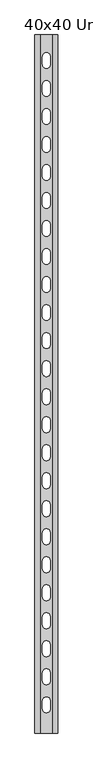
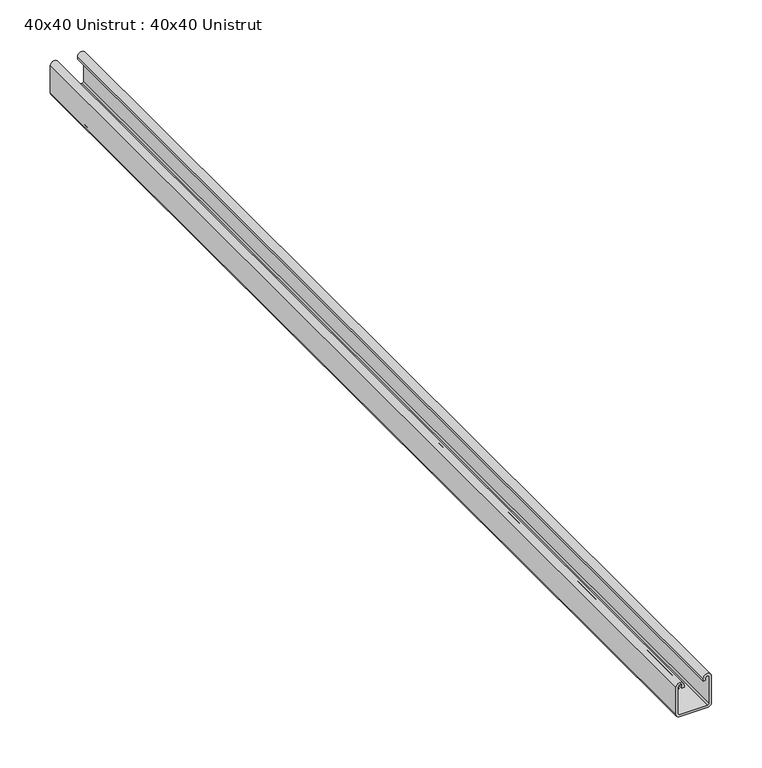
"""IFC4 building model written with IfcOpenShell, lengths in millimetres: proxy geometry, 40x40 Unistrut : 40x40 Unistrut."""

import ifcopenshell
import ifcopenshell.guid

model = None  # the IFC model being written
_history = None  # IfcOwnerHistory: only IFC2X3 demands one
_inside = {}  # id of a spatial element -> (the spatial element, [elements in it])
_under = {}  # id of a project, library or spatial element -> (it, [spatial elements below it])
_declared = {}  # id of a project -> (the project, [libraries it declares])
_typed = {}  # id of a type object -> (the type object, [elements of that type])
_made_of = {}  # id of a material, layer set ... -> (it, [elements and type objects made of it])


def new_model(schema):
    """Start an empty IFC model of exactly this schema.

    Asked for "IFC4X3", IfcOpenShell would pick the latest addendum, in which some entities
    have other attributes; the version numbers below select the first issue.
    IFC2X3 requires an IfcOwnerHistory on every rooted entity: one is made here for all.
    """
    global model, _history
    if schema == "IFC4X3":
        model = ifcopenshell.file(schema_version=(4, 3, 0, 0))
    else:
        model = ifcopenshell.file(schema=schema)
    _inside.clear()
    _under.clear()
    _declared.clear()
    _typed.clear()
    _made_of.clear()
    _history = None
    if model.schema == "IFC2X3":
        org = make("IfcOrganization", Name="unknown")
        user = make(
            "IfcPersonAndOrganization",
            ThePerson=make("IfcPerson", FamilyName="unknown"),
            TheOrganization=org,
        )
        app = make(
            "IfcApplication",
            ApplicationDeveloper=org,
            Version="unknown",
            ApplicationFullName="unknown",
            ApplicationIdentifier="unknown",
        )
        _history = make(
            "IfcOwnerHistory",
            OwningUser=user,
            OwningApplication=app,
            ChangeAction="ADDED",
            CreationDate=0,
        )
    return model


def make(cls, **values):
    """One entity of the class cls with the attributes given. An attribute that is None is left unset."""
    return model.create_entity(
        cls, **{name: value for name, value in values.items() if value is not None}
    )


def rooted(cls, **values):
    """An entity with a GlobalId (a new one), such as an element, a storey or a relation."""
    return make(cls, GlobalId=ifcopenshell.guid.new(), OwnerHistory=_history, **values)


def si_unit(unit_type, name, prefix=None):
    """IfcSIUnit, for example si_unit("LENGTHUNIT", "METRE", prefix="MILLI")."""
    return make("IfcSIUnit", UnitType=unit_type, Prefix=prefix, Name=name)


def assignment(units):
    """IfcUnitAssignment: the units of a project."""
    return None if units is None else make("IfcUnitAssignment", Units=units)


def point(xyz):
    """IfcCartesianPoint."""
    return None if xyz is None else make("IfcCartesianPoint", Coordinates=xyz)


def direction(xyz):
    """IfcDirection."""
    return None if xyz is None else make("IfcDirection", DirectionRatios=xyz)


def frame(location, z_axis=None, x_axis=None):
    """IfcAxis2Placement3D, a coordinate frame: its origin and axes. An axis left out is left unset."""
    return make(
        "IfcAxis2Placement3D",
        Location=point(location),
        Axis=direction(z_axis),
        RefDirection=direction(x_axis),
    )


def origin():
    """The frame at (0, 0, 0) with its axes left unset."""
    return frame((0.0, 0.0, 0.0))


def place(relative_to, where):
    """IfcLocalPlacement: puts the frame where relative to a parent placement (None: the world)."""
    return make(
        "IfcLocalPlacement", PlacementRelTo=relative_to, RelativePlacement=where
    )


def context(
    kind, dimensions, precision=None, world=None, true_north=None, identifier=None
):
    """IfcGeometricRepresentationContext, for example the 3D "Model" context."""
    return make(
        "IfcGeometricRepresentationContext",
        ContextIdentifier=identifier,
        ContextType=kind,
        CoordinateSpaceDimension=dimensions,
        Precision=precision,
        WorldCoordinateSystem=world,
        TrueNorth=true_north,
    )


def project(units=None, contexts=None):
    """IfcProject with its units and contexts."""
    return rooted(
        "IfcProject",
        Name="project",
        RepresentationContexts=contexts,
        UnitsInContext=assignment(units),
    )


def spatial(cls, under=None, at=None, **own):
    """A site, building, storey or space (cls), placed at a placement, below another one or the project."""
    s = rooted(cls, ObjectPlacement=at, **own)
    if under is not None:
        _under.setdefault(under.id(), (under, []))[1].append(s)
    return s


def polyline(points):
    """IfcPolyline through the points."""
    return make("IfcPolyline", Points=[point(p) for p in points])


def circle_curve(where, radius):
    """IfcCircle in the frame where."""
    return make("IfcCircle", Position=where, Radius=radius)


def shape(context_of_items, identifier, shape_type, items):
    """IfcShapeRepresentation: the items that make up one representation, for example the "Body"."""
    return make(
        "IfcShapeRepresentation",
        ContextOfItems=context_of_items,
        RepresentationIdentifier=identifier,
        RepresentationType=shape_type,
        Items=items,
    )


def source(mapping_origin, context_of_items, identifier, shape_type, items):
    """IfcRepresentationMap: a shape defined once, which mapped items show again and again."""
    return make(
        "IfcRepresentationMap",
        MappingOrigin=mapping_origin,
        MappedRepresentation=shape(context_of_items, identifier, shape_type, items),
    )


def transform(
    local_origin,
    x_axis=None,
    y_axis=None,
    z_axis=None,
    scale=None,
    scale2=None,
    scale3=None,
    uniform=True,
):
    """IfcCartesianTransformationOperator3D, or its non-uniform kind. x_axis, y_axis, z_axis: its Axis1, 2, 3."""
    if uniform:
        return make(
            "IfcCartesianTransformationOperator3D",
            Axis1=direction(x_axis),
            Axis2=direction(y_axis),
            LocalOrigin=point(local_origin),
            Scale=scale,
            Axis3=direction(z_axis),
        )
    return make(
        "IfcCartesianTransformationOperator3DnonUniform",
        Axis1=direction(x_axis),
        Axis2=direction(y_axis),
        LocalOrigin=point(local_origin),
        Scale=scale,
        Axis3=direction(z_axis),
        Scale2=scale2,
        Scale3=scale3,
    )


def mapped(mapping_source, mapping_target):
    """IfcMappedItem: shows the shape of a source again, moved by a transform."""
    return make(
        "IfcMappedItem", MappingSource=mapping_source, MappingTarget=mapping_target
    )


def made_of(thing, what):
    """Note that an element or type object is made of a material, layer set ...; save() writes the relation."""
    if what is not None:
        _made_of.setdefault(what.id(), (what, []))[1].append(thing)
    return thing


def element(
    cls,
    number,
    at=None,
    inside=None,
    cuts=None,
    type_object=None,
    material=None,
    context=None,
    identifier="Body",
    shape_type=None,
    held_by="IfcProductDefinitionShape",
    body=None,
    shapes=None,
    **own,
):
    """One element of the class cls, such as IfcWall. Its Tag is "e" and its number.

    at: its placement. inside: the storey or other place that contains it. cuts: it is an
    opening in that element (IfcRelVoidsElement). A single representation is given by context,
    identifier, shape_type and body (its items); several are given by shapes. held_by: the class
    of the entity that holds the representations. save() writes the other relations.
    """
    e = rooted(cls, Tag="e%d" % number, ObjectPlacement=at, **own)
    if body is not None:
        shapes = [shape(context, identifier, shape_type, body)]
    if shapes is not None:
        e.Representation = make(held_by, Representations=shapes)
    if inside is not None:
        _inside.setdefault(inside.id(), (inside, []))[1].append(e)
    if cuts is not None:
        rooted(
            "IfcRelVoidsElement", RelatingBuildingElement=cuts, RelatedOpeningElement=e
        )
    if type_object is not None:
        _typed.setdefault(type_object.id(), (type_object, []))[1].append(e)
    return made_of(e, material)


def aggregate(whole, parts):
    """IfcRelAggregates: a whole, such as a stair, and the parts it consists of."""
    return rooted("IfcRelAggregates", RelatingObject=whole, RelatedObjects=parts)


def save(model, path):
    """Write the relations noted so far, then the file.

    IfcRelAggregates (storeys below a building ...), IfcRelContainedInSpatialStructure (elements
    in a storey), IfcRelDefinesByType, IfcRelAssociatesMaterial and IfcRelDeclares: one each for
    every whole, place, type object, material and project.
    """
    for whole, parts in _under.values():
        aggregate(whole, parts)
    for where, things in _inside.values():
        rooted(
            "IfcRelContainedInSpatialStructure",
            RelatedElements=things,
            RelatingStructure=where,
        )
    for kind, things in _typed.values():
        rooted("IfcRelDefinesByType", RelatedObjects=things, RelatingType=kind)
    for what, things in _made_of.values():
        rooted("IfcRelAssociatesMaterial", RelatedObjects=things, RelatingMaterial=what)
    for by, libraries in _declared.values():
        rooted("IfcRelDeclares", RelatingContext=by, RelatedDefinitions=libraries)
    model.write(path)


def plane_surface(at):
    """IfcPlane: the flat surface through the origin of the frame at, square to its z axis."""
    return make("IfcPlane", Position=at)


def cylinder_surface(at, radius):
    """IfcCylindricalSurface: all points at the distance radius from the z axis of the frame at."""
    return make("IfcCylindricalSurface", Position=at, Radius=radius)


def revolved_surface(curve, axis_point, axis_direction):
    """IfcSurfaceOfRevolution: the curve turned about the line through axis_point along axis_direction."""
    return make(
        "IfcSurfaceOfRevolution",
        SweptCurve=make("IfcArbitraryOpenProfileDef", ProfileType="CURVE", Curve=curve),
        AxisPosition=make("IfcAxis1Placement", Location=point(axis_point), Axis=direction(axis_direction)),
    )


def advanced_brep(points, edges, surfaces, faces):
    """IfcAdvancedBrep: a solid bounded by faces that lie on surfaces and meet in shared edges.

    An edge is (start, end): straight between two places in points (the first is 0);
    or (start, end, curve); or (start, end, curve, False) where it runs against its curve.
    A face is (place in surfaces, loops), or (place, loops, False) where it looks against
    its surface's normal. A loop lists edges by number (the first is 1), with a minus sign
    where the edge is run from its end to its start. The first loop is the outer one.
    """
    corners = [point(p) for p in points]
    vertices = [make("IfcVertexPoint", VertexGeometry=c) for c in corners]
    made = []
    for start, end, *more in edges:
        made.append(
            make(
                "IfcEdgeCurve",
                EdgeStart=vertices[start],
                EdgeEnd=vertices[end],
                EdgeGeometry=more[0] if more else make("IfcPolyline", Points=[corners[start], corners[end]]),
                SameSense=more[1] if len(more) > 1 else True,
            )
        )
    hull = []
    for where, loops, *sense in faces:
        bounds = []
        for j, loop in enumerate(loops):
            ring = [make("IfcOrientedEdge", EdgeElement=made[abs(k) - 1], Orientation=k > 0) for k in loop]
            bounds.append(
                make(
                    "IfcFaceOuterBound" if j == 0 else "IfcFaceBound",
                    Bound=make("IfcEdgeLoop", EdgeList=ring),
                    Orientation=True,
                )
            )
        hull.append(make("IfcAdvancedFace", Bounds=bounds, FaceSurface=surfaces[where], SameSense=sense[0] if sense else True))
    return make("IfcAdvancedBrep", Outer=make("IfcClosedShell", CfsFaces=hull))


def proxy_40x40_unistrut_40x40_unistrut_075429c7(model_context):
    return source(origin(), model_context, "Body", "AdvancedBrep", [
        advanced_brep(
        [(0.0, -1225.45, 36.25), (0.0, -1225.45, 4.0), (4.0, -1225.45, 0.0), (37.0, -1225.45, 0.0), (41.0, -1225.45, 4.0), (41.0, -1225.45, 36.25), (31.5, -1225.45, 36.25), (31.5, -1225.45, 33.55), (34.0, -1225.45, 33.55), (34.0, -1225.45, 36.25), (38.5, -1225.45, 36.25), (38.5, -1225.45, 4.0), (37.0, -1225.45, 2.5), (4.0, -1225.45, 2.5), (2.5, -1225.45, 4.0), (2.5, -1225.45, 36.25), (7.0, -1225.45, 36.25), (7.0, -1225.45, 33.55), (9.5, -1225.45, 33.55), (9.5, -1225.45, 36.25), (0.0, 20.75, 36.25), (9.5, 20.75, 36.25), (9.5, 20.75, 33.55), (7.0, 20.75, 33.55), (7.0, 20.75, 36.25), (2.5, 20.75, 36.25), (2.5, 20.75, 4.0), (4.0, 20.75, 2.5), (37.0, 20.75, 2.5), (38.5, 20.75, 4.0), (38.5, 20.75, 36.25), (34.0, 20.75, 36.25), (34.0, 20.75, 33.55), (31.5, 20.75, 33.55), (31.5, 20.75, 36.25), (41.0, 20.75, 36.25), (41.0, 20.75, 4.0), (37.0, 20.75, 0.0), (4.0, 20.75, 0.0), (0.0, 20.75, 4.0), (27.5, -32.0, 0.0), (27.5, -18.0, 0.0), (13.5, -18.0, 0.0), (13.5, -32.0, 0.0), (27.5, -82.0, 0.0), (27.5, -68.0, 0.0), (13.5, -68.0, 0.0), (13.5, -82.0, 0.0), (27.5, -132.0, 0.0), (27.5, -118.0, 0.0), (13.5, -118.0, 0.0), (13.5, -132.0, 0.0), (27.5, -182.0, 0.0), (27.5, -168.0, 0.0), (13.5, -168.0, 0.0), (13.5, -182.0, 0.0), (27.5, -232.0, 0.0), (27.5, -218.0, 0.0), (13.5, -218.0, 0.0), (13.5, -232.0, 0.0), (27.5, -282.0, 0.0), (27.5, -268.0, 0.0), (13.5, -268.0, 0.0), (13.5, -282.0, 0.0), (27.5, -332.0, 0.0), (27.5, -318.0, 0.0), (13.5, -318.0, 0.0), (13.5, -332.0, 0.0), (27.5, -382.0, 0.0), (27.5, -368.0, 0.0), (13.5, -368.0, 0.0), (13.5, -382.0, 0.0), (27.5, -432.0, 0.0), (27.5, -418.0, 0.0), (13.5, -418.0, 0.0), (13.5, -432.0, 0.0), (27.5, -482.0, 0.0), (27.5, -468.0, 0.0), (13.5, -468.0, 0.0), (13.5, -482.0, 0.0), (27.5, -532.0, 0.0), (27.5, -518.0, 0.0), (13.5, -518.0, 0.0), (13.5, -532.0, 0.0), (27.5, -582.0, 0.0), (27.5, -568.0, 0.0), (13.5, -568.0, 0.0), (13.5, -582.0, 0.0), (27.5, -632.0, 0.0), (27.5, -618.0, 0.0), (13.5, -618.0, 0.0), (13.5, -632.0, 0.0), (27.5, -682.0, 0.0), (27.5, -668.0, 0.0), (13.5, -668.0, 0.0), (13.5, -682.0, 0.0), (27.5, -732.0, 0.0), (27.5, -718.0, 0.0), (13.5, -718.0, 0.0), (13.5, -732.0, 0.0), (27.5, -782.0, 0.0), (27.5, -768.0, 0.0), (13.5, -768.0, 0.0), (13.5, -782.0, 0.0), (27.5, -832.0, 0.0), (27.5, -818.0, 0.0), (13.5, -818.0, 0.0), (13.5, -832.0, 0.0), (27.5, -882.0, 0.0), (27.5, -868.0, 0.0), (13.5, -868.0, 0.0), (13.5, -882.0, 0.0), (27.5, -932.0, 0.0), (27.5, -918.0, 0.0), (13.5, -918.0, 0.0), (13.5, -932.0, 0.0), (27.5, -982.0, 0.0), (27.5, -968.0, 0.0), (13.5, -968.0, 0.0), (13.5, -982.0, 0.0), (27.5, -1032.0, 0.0), (27.5, -1018.0, 0.0), (13.5, -1018.0, 0.0), (13.5, -1032.0, 0.0), (27.5, -1082.0, 0.0), (27.5, -1068.0, 0.0), (13.5, -1068.0, 0.0), (13.5, -1082.0, 0.0), (27.5, -1132.0, 0.0), (27.5, -1118.0, 0.0), (13.5, -1118.0, 0.0), (13.5, -1132.0, 0.0), (27.5, -1182.0, 0.0), (27.5, -1168.0, 0.0), (13.5, -1168.0, 0.0), (13.5, -1182.0, 0.0), (27.5, -18.0, 2.5), (27.5, -32.0, 2.5), (13.5, -32.0, 2.5), (13.5, -18.0, 2.5), (27.5, -68.0, 2.5), (27.5, -82.0, 2.5), (13.5, -82.0, 2.5), (13.5, -68.0, 2.5), (27.5, -118.0, 2.5), (27.5, -132.0, 2.5), (13.5, -132.0, 2.5), (13.5, -118.0, 2.5), (27.5, -168.0, 2.5), (27.5, -182.0, 2.5), (13.5, -182.0, 2.5), (13.5, -168.0, 2.5), (27.5, -218.0, 2.5), (27.5, -232.0, 2.5), (13.5, -232.0, 2.5), (13.5, -218.0, 2.5), (27.5, -268.0, 2.5), (27.5, -282.0, 2.5), (13.5, -282.0, 2.5), (13.5, -268.0, 2.5), (27.5, -318.0, 2.5), (27.5, -332.0, 2.5), (13.5, -332.0, 2.5), (13.5, -318.0, 2.5), (27.5, -368.0, 2.5), (27.5, -382.0, 2.5), (13.5, -382.0, 2.5), (13.5, -368.0, 2.5), (27.5, -418.0, 2.5), (27.5, -432.0, 2.5), (13.5, -432.0, 2.5), (13.5, -418.0, 2.5), (27.5, -468.0, 2.5), (27.5, -482.0, 2.5), (13.5, -482.0, 2.5), (13.5, -468.0, 2.5), (27.5, -518.0, 2.5), (27.5, -532.0, 2.5), (13.5, -532.0, 2.5), (13.5, -518.0, 2.5), (27.5, -568.0, 2.5), (27.5, -582.0, 2.5), (13.5, -582.0, 2.5), (13.5, -568.0, 2.5), (27.5, -618.0, 2.5), (27.5, -632.0, 2.5), (13.5, -632.0, 2.5), (13.5, -618.0, 2.5), (27.5, -668.0, 2.5), (27.5, -682.0, 2.5), (13.5, -682.0, 2.5), (13.5, -668.0, 2.5), (27.5, -718.0, 2.5), (27.5, -732.0, 2.5), (13.5, -732.0, 2.5), (13.5, -718.0, 2.5), (27.5, -768.0, 2.5), (27.5, -782.0, 2.5), (13.5, -782.0, 2.5), (13.5, -768.0, 2.5), (27.5, -818.0, 2.5), (27.5, -832.0, 2.5), (13.5, -832.0, 2.5), (13.5, -818.0, 2.5), (27.5, -868.0, 2.5), (27.5, -882.0, 2.5), (13.5, -882.0, 2.5), (13.5, -868.0, 2.5), (27.5, -918.0, 2.5), (27.5, -932.0, 2.5), (13.5, -932.0, 2.5), (13.5, -918.0, 2.5), (27.5, -968.0, 2.5), (27.5, -982.0, 2.5), (13.5, -982.0, 2.5), (13.5, -968.0, 2.5), (27.5, -1018.0, 2.5), (27.5, -1032.0, 2.5), (13.5, -1032.0, 2.5), (13.5, -1018.0, 2.5), (27.5, -1068.0, 2.5), (27.5, -1082.0, 2.5), (13.5, -1082.0, 2.5), (13.5, -1068.0, 2.5), (27.5, -1118.0, 2.5), (27.5, -1132.0, 2.5), (13.5, -1132.0, 2.5), (13.5, -1118.0, 2.5), (27.5, -1168.0, 2.5), (27.5, -1182.0, 2.5), (13.5, -1182.0, 2.5), (13.5, -1168.0, 2.5)],
        [
            (0, 1),
            (1, 2, circle_curve(frame((4.0, -1225.45, 4.0), z_axis=(0.0, -1.0, 0.0), x_axis=(1.0, 0.0, 0.0)), 4.0)),
            (2, 3),
            (3, 4, circle_curve(frame((37.0, -1225.45, 4.0), z_axis=(0.0, -1.0, 0.0), x_axis=(1.0, 0.0, 0.0)), 4.0)),
            (4, 5),
            (5, 6, circle_curve(frame((36.25, -1225.45, 36.25), z_axis=(0.0, -1.0, 0.0), x_axis=(1.0, 0.0, 0.0)), 4.75)),
            (6, 7),
            (7, 8),
            (8, 9),
            (9, 10, circle_curve(frame((36.25, -1225.45, 36.25), z_axis=(0.0, 1.0, 0.0), x_axis=(1.0, 0.0, 0.0)), 2.25)),
            (10, 11),
            (11, 12, circle_curve(frame((37.0, -1225.45, 4.0), z_axis=(0.0, 1.0, 0.0), x_axis=(1.0, 0.0, 0.0)), 1.5)),
            (12, 13),
            (13, 14, circle_curve(frame((4.0, -1225.45, 4.0), z_axis=(0.0, 1.0, 0.0), x_axis=(1.0, 0.0, 0.0)), 1.5)),
            (14, 15),
            (15, 16, circle_curve(frame((4.75, -1225.45, 36.25), z_axis=(0.0, 1.0, 0.0), x_axis=(1.0, 0.0, 0.0)), 2.25)),
            (16, 17),
            (17, 18),
            (18, 19),
            (19, 0, circle_curve(frame((4.75, -1225.45, 36.25), z_axis=(0.0, -1.0, 0.0), x_axis=(1.0, 0.0, 0.0)), 4.75)),
            (20, 21, circle_curve(frame((4.75, 20.75, 36.25), z_axis=(0.0, 1.0, 0.0), x_axis=(1.0, 0.0, 0.0)), 4.75)),
            (21, 22),
            (22, 23),
            (23, 24),
            (24, 25, circle_curve(frame((4.75, 20.75, 36.25), z_axis=(0.0, -1.0, 0.0), x_axis=(1.0, 0.0, 0.0)), 2.25)),
            (25, 26),
            (26, 27, circle_curve(frame((4.0, 20.75, 4.0), z_axis=(0.0, -1.0, 0.0), x_axis=(1.0, 0.0, 0.0)), 1.5)),
            (27, 28),
            (28, 29, circle_curve(frame((37.0, 20.75, 4.0), z_axis=(0.0, -1.0, 0.0), x_axis=(1.0, 0.0, 0.0)), 1.5)),
            (29, 30),
            (30, 31, circle_curve(frame((36.25, 20.75, 36.25), z_axis=(0.0, -1.0, 0.0), x_axis=(1.0, 0.0, 0.0)), 2.25)),
            (31, 32),
            (32, 33),
            (33, 34),
            (34, 35, circle_curve(frame((36.25, 20.75, 36.25), z_axis=(0.0, 1.0, 0.0), x_axis=(1.0, 0.0, 0.0)), 4.75)),
            (35, 36),
            (36, 37, circle_curve(frame((37.0, 20.75, 4.0), z_axis=(0.0, 1.0, 0.0), x_axis=(1.0, 0.0, 0.0)), 4.0)),
            (37, 38),
            (38, 39, circle_curve(frame((4.0, 20.75, 4.0), z_axis=(0.0, 1.0, 0.0), x_axis=(1.0, 0.0, 0.0)), 4.0)),
            (39, 20),
            (0, 20),
            (39, 1),
            (38, 2),
            (37, 3),
            (40, 41),
            (41, 42, circle_curve(frame((20.5, -18.0, 0.0), z_axis=(0.0, 0.0, 1.0), x_axis=(1.0, 0.0, 0.0)), 7.0)),
            (42, 43),
            (43, 40, circle_curve(frame((20.5, -32.0, 0.0), z_axis=(0.0, 0.0, 1.0), x_axis=(1.0, 0.0, 0.0)), 7.0)),
            (44, 45),
            (45, 46, circle_curve(frame((20.5, -68.0, 0.0), z_axis=(0.0, 0.0, 1.0), x_axis=(1.0, 0.0, 0.0)), 7.0)),
            (46, 47),
            (47, 44, circle_curve(frame((20.5, -82.0, 0.0), z_axis=(0.0, 0.0, 1.0), x_axis=(1.0, 0.0, 0.0)), 7.0)),
            (48, 49),
            (49, 50, circle_curve(frame((20.5, -118.0, 0.0), z_axis=(0.0, 0.0, 1.0), x_axis=(1.0, 0.0, 0.0)), 7.0)),
            (50, 51),
            (51, 48, circle_curve(frame((20.5, -132.0, 0.0), z_axis=(0.0, 0.0, 1.0), x_axis=(1.0, 0.0, 0.0)), 7.0)),
            (52, 53),
            (53, 54, circle_curve(frame((20.5, -168.0, 0.0), z_axis=(0.0, 0.0, 1.0), x_axis=(1.0, 0.0, 0.0)), 7.0)),
            (54, 55),
            (55, 52, circle_curve(frame((20.5, -182.0, 0.0), z_axis=(0.0, 0.0, 1.0), x_axis=(1.0, 0.0, 0.0)), 7.0)),
            (56, 57),
            (57, 58, circle_curve(frame((20.5, -218.0, 0.0), z_axis=(0.0, 0.0, 1.0), x_axis=(1.0, 0.0, 0.0)), 7.0)),
            (58, 59),
            (59, 56, circle_curve(frame((20.5, -232.0, 0.0), z_axis=(0.0, 0.0, 1.0), x_axis=(1.0, 0.0, 0.0)), 7.0)),
            (60, 61),
            (61, 62, circle_curve(frame((20.5, -268.0, 0.0), z_axis=(0.0, 0.0, 1.0), x_axis=(1.0, 0.0, 0.0)), 7.0)),
            (62, 63),
            (63, 60, circle_curve(frame((20.5, -282.0, 0.0), z_axis=(0.0, 0.0, 1.0), x_axis=(1.0, 0.0, 0.0)), 7.0)),
            (64, 65),
            (65, 66, circle_curve(frame((20.5, -318.0, 0.0), z_axis=(0.0, 0.0, 1.0), x_axis=(1.0, 0.0, 0.0)), 7.0)),
            (66, 67),
            (67, 64, circle_curve(frame((20.5, -332.0, 0.0), z_axis=(0.0, 0.0, 1.0), x_axis=(1.0, 0.0, 0.0)), 7.0)),
            (68, 69),
            (69, 70, circle_curve(frame((20.5, -368.0, 0.0), z_axis=(0.0, 0.0, 1.0), x_axis=(1.0, 0.0, 0.0)), 7.0)),
            (70, 71),
            (71, 68, circle_curve(frame((20.5, -382.0, 0.0), z_axis=(0.0, 0.0, 1.0), x_axis=(1.0, 0.0, 0.0)), 7.0)),
            (72, 73),
            (73, 74, circle_curve(frame((20.5, -418.0, 0.0), z_axis=(0.0, 0.0, 1.0), x_axis=(1.0, 0.0, 0.0)), 7.0)),
            (74, 75),
            (75, 72, circle_curve(frame((20.5, -432.0, 0.0), z_axis=(0.0, 0.0, 1.0), x_axis=(1.0, 0.0, 0.0)), 7.0)),
            (76, 77),
            (77, 78, circle_curve(frame((20.5, -468.0, 0.0), z_axis=(0.0, 0.0, 1.0), x_axis=(1.0, 0.0, 0.0)), 7.0)),
            (78, 79),
            (79, 76, circle_curve(frame((20.5, -482.0, 0.0), z_axis=(0.0, 0.0, 1.0), x_axis=(1.0, 0.0, 0.0)), 7.0)),
            (80, 81),
            (81, 82, circle_curve(frame((20.5, -518.0, 0.0), z_axis=(0.0, 0.0, 1.0), x_axis=(1.0, 0.0, 0.0)), 7.0)),
            (82, 83),
            (83, 80, circle_curve(frame((20.5, -532.0, 0.0), z_axis=(0.0, 0.0, 1.0), x_axis=(1.0, 0.0, 0.0)), 7.0)),
            (84, 85),
            (85, 86, circle_curve(frame((20.5, -568.0, 0.0), z_axis=(0.0, 0.0, 1.0), x_axis=(1.0, 0.0, 0.0)), 7.0)),
            (86, 87),
            (87, 84, circle_curve(frame((20.5, -582.0, 0.0), z_axis=(0.0, 0.0, 1.0), x_axis=(1.0, 0.0, 0.0)), 7.0)),
            (88, 89),
            (89, 90, circle_curve(frame((20.5, -618.0, 0.0), z_axis=(0.0, 0.0, 1.0), x_axis=(1.0, 0.0, 0.0)), 7.0)),
            (90, 91),
            (91, 88, circle_curve(frame((20.5, -632.0, 0.0), z_axis=(0.0, 0.0, 1.0), x_axis=(1.0, 0.0, 0.0)), 7.0)),
            (92, 93),
            (93, 94, circle_curve(frame((20.5, -668.0, 0.0), z_axis=(0.0, 0.0, 1.0), x_axis=(1.0, 0.0, 0.0)), 7.0)),
            (94, 95),
            (95, 92, circle_curve(frame((20.5, -682.0, 0.0), z_axis=(0.0, 0.0, 1.0), x_axis=(1.0, 0.0, 0.0)), 7.0)),
            (96, 97),
            (97, 98, circle_curve(frame((20.5, -718.0, 0.0), z_axis=(0.0, 0.0, 1.0), x_axis=(1.0, 0.0, 0.0)), 7.0)),
            (98, 99),
            (99, 96, circle_curve(frame((20.5, -732.0, 0.0), z_axis=(0.0, 0.0, 1.0), x_axis=(1.0, 0.0, 0.0)), 7.0)),
            (100, 101),
            (101, 102, circle_curve(frame((20.5, -768.0, 0.0), z_axis=(0.0, 0.0, 1.0), x_axis=(1.0, 0.0, 0.0)), 7.0)),
            (102, 103),
            (103, 100, circle_curve(frame((20.5, -782.0, 0.0), z_axis=(0.0, 0.0, 1.0), x_axis=(1.0, 0.0, 0.0)), 7.0)),
            (104, 105),
            (105, 106, circle_curve(frame((20.5, -818.0, 0.0), z_axis=(0.0, 0.0, 1.0), x_axis=(1.0, 0.0, 0.0)), 7.0)),
            (106, 107),
            (107, 104, circle_curve(frame((20.5, -832.0, 0.0), z_axis=(0.0, 0.0, 1.0), x_axis=(1.0, 0.0, 0.0)), 7.0)),
            (108, 109),
            (109, 110, circle_curve(frame((20.5, -868.0, 0.0), z_axis=(0.0, 0.0, 1.0), x_axis=(1.0, 0.0, 0.0)), 7.0)),
            (110, 111),
            (111, 108, circle_curve(frame((20.5, -882.0, 0.0), z_axis=(0.0, 0.0, 1.0), x_axis=(1.0, 0.0, 0.0)), 7.0)),
            (112, 113),
            (113, 114, circle_curve(frame((20.5, -918.0, 0.0), z_axis=(0.0, 0.0, 1.0), x_axis=(1.0, 0.0, 0.0)), 7.0)),
            (114, 115),
            (115, 112, circle_curve(frame((20.5, -932.0, 0.0), z_axis=(0.0, 0.0, 1.0), x_axis=(1.0, 0.0, 0.0)), 7.0)),
            (116, 117),
            (117, 118, circle_curve(frame((20.5, -968.0, 0.0), z_axis=(0.0, 0.0, 1.0), x_axis=(1.0, 0.0, 0.0)), 7.0)),
            (118, 119),
            (119, 116, circle_curve(frame((20.5, -982.0, 0.0), z_axis=(0.0, 0.0, 1.0), x_axis=(1.0, 0.0, 0.0)), 7.0)),
            (120, 121),
            (121, 122, circle_curve(frame((20.5, -1018.0, 0.0), z_axis=(0.0, 0.0, 1.0), x_axis=(1.0, 0.0, 0.0)), 7.0)),
            (122, 123),
            (123, 120, circle_curve(frame((20.5, -1032.0, 0.0), z_axis=(0.0, 0.0, 1.0), x_axis=(1.0, 0.0, 0.0)), 7.0)),
            (124, 125),
            (125, 126, circle_curve(frame((20.5, -1068.0, 0.0), z_axis=(0.0, 0.0, 1.0), x_axis=(1.0, 0.0, 0.0)), 7.0)),
            (126, 127),
            (127, 124, circle_curve(frame((20.5, -1082.0, 0.0), z_axis=(0.0, 0.0, 1.0), x_axis=(1.0, 0.0, 0.0)), 7.0)),
            (128, 129),
            (129, 130, circle_curve(frame((20.5, -1118.0, 0.0), z_axis=(0.0, 0.0, 1.0), x_axis=(1.0, 0.0, 0.0)), 7.0)),
            (130, 131),
            (131, 128, circle_curve(frame((20.5, -1132.0, 0.0), z_axis=(0.0, 0.0, 1.0), x_axis=(1.0, 0.0, 0.0)), 7.0)),
            (132, 133),
            (133, 134, circle_curve(frame((20.5, -1168.0, 0.0), z_axis=(0.0, 0.0, 1.0), x_axis=(1.0, 0.0, 0.0)), 7.0)),
            (134, 135),
            (135, 132, circle_curve(frame((20.5, -1182.0, 0.0), z_axis=(0.0, 0.0, 1.0), x_axis=(1.0, 0.0, 0.0)), 7.0)),
            (36, 4),
            (35, 5),
            (34, 6),
            (33, 7),
            (32, 8),
            (31, 9),
            (30, 10),
            (29, 11),
            (28, 12),
            (27, 13),
            (136, 137),
            (137, 138, circle_curve(frame((20.5, -32.0, 2.5), z_axis=(0.0, 0.0, -1.0), x_axis=(1.0, 0.0, 0.0)), 7.0)),
            (138, 139),
            (139, 136, circle_curve(frame((20.5, -18.0, 2.5), z_axis=(0.0, 0.0, -1.0), x_axis=(1.0, 0.0, 0.0)), 7.0)),
            (140, 141),
            (141, 142, circle_curve(frame((20.5, -82.0, 2.5), z_axis=(0.0, 0.0, -1.0), x_axis=(1.0, 0.0, 0.0)), 7.0)),
            (142, 143),
            (143, 140, circle_curve(frame((20.5, -68.0, 2.5), z_axis=(0.0, 0.0, -1.0), x_axis=(1.0, 0.0, 0.0)), 7.0)),
            (144, 145),
            (145, 146, circle_curve(frame((20.5, -132.0, 2.5), z_axis=(0.0, 0.0, -1.0), x_axis=(1.0, 0.0, 0.0)), 7.0)),
            (146, 147),
            (147, 144, circle_curve(frame((20.5, -118.0, 2.5), z_axis=(0.0, 0.0, -1.0), x_axis=(1.0, 0.0, 0.0)), 7.0)),
            (148, 149),
            (149, 150, circle_curve(frame((20.5, -182.0, 2.5), z_axis=(0.0, 0.0, -1.0), x_axis=(1.0, 0.0, 0.0)), 7.0)),
            (150, 151),
            (151, 148, circle_curve(frame((20.5, -168.0, 2.5), z_axis=(0.0, 0.0, -1.0), x_axis=(1.0, 0.0, 0.0)), 7.0)),
            (152, 153),
            (153, 154, circle_curve(frame((20.5, -232.0, 2.5), z_axis=(0.0, 0.0, -1.0), x_axis=(1.0, 0.0, 0.0)), 7.0)),
            (154, 155),
            (155, 152, circle_curve(frame((20.5, -218.0, 2.5), z_axis=(0.0, 0.0, -1.0), x_axis=(1.0, 0.0, 0.0)), 7.0)),
            (156, 157),
            (157, 158, circle_curve(frame((20.5, -282.0, 2.5), z_axis=(0.0, 0.0, -1.0), x_axis=(1.0, 0.0, 0.0)), 7.0)),
            (158, 159),
            (159, 156, circle_curve(frame((20.5, -268.0, 2.5), z_axis=(0.0, 0.0, -1.0), x_axis=(1.0, 0.0, 0.0)), 7.0)),
            (160, 161),
            (161, 162, circle_curve(frame((20.5, -332.0, 2.5), z_axis=(0.0, 0.0, -1.0), x_axis=(1.0, 0.0, 0.0)), 7.0)),
            (162, 163),
            (163, 160, circle_curve(frame((20.5, -318.0, 2.5), z_axis=(0.0, 0.0, -1.0), x_axis=(1.0, 0.0, 0.0)), 7.0)),
            (164, 165),
            (165, 166, circle_curve(frame((20.5, -382.0, 2.5), z_axis=(0.0, 0.0, -1.0), x_axis=(1.0, 0.0, 0.0)), 7.0)),
            (166, 167),
            (167, 164, circle_curve(frame((20.5, -368.0, 2.5), z_axis=(0.0, 0.0, -1.0), x_axis=(1.0, 0.0, 0.0)), 7.0)),
            (168, 169),
            (169, 170, circle_curve(frame((20.5, -432.0, 2.5), z_axis=(0.0, 0.0, -1.0), x_axis=(1.0, 0.0, 0.0)), 7.0)),
            (170, 171),
            (171, 168, circle_curve(frame((20.5, -418.0, 2.5), z_axis=(0.0, 0.0, -1.0), x_axis=(1.0, 0.0, 0.0)), 7.0)),
            (172, 173),
            (173, 174, circle_curve(frame((20.5, -482.0, 2.5), z_axis=(0.0, 0.0, -1.0), x_axis=(1.0, 0.0, 0.0)), 7.0)),
            (174, 175),
            (175, 172, circle_curve(frame((20.5, -468.0, 2.5), z_axis=(0.0, 0.0, -1.0), x_axis=(1.0, 0.0, 0.0)), 7.0)),
            (176, 177),
            (177, 178, circle_curve(frame((20.5, -532.0, 2.5), z_axis=(0.0, 0.0, -1.0), x_axis=(1.0, 0.0, 0.0)), 7.0)),
            (178, 179),
            (179, 176, circle_curve(frame((20.5, -518.0, 2.5), z_axis=(0.0, 0.0, -1.0), x_axis=(1.0, 0.0, 0.0)), 7.0)),
            (180, 181),
            (181, 182, circle_curve(frame((20.5, -582.0, 2.5), z_axis=(0.0, 0.0, -1.0), x_axis=(1.0, 0.0, 0.0)), 7.0)),
            (182, 183),
            (183, 180, circle_curve(frame((20.5, -568.0, 2.5), z_axis=(0.0, 0.0, -1.0), x_axis=(1.0, 0.0, 0.0)), 7.0)),
            (184, 185),
            (185, 186, circle_curve(frame((20.5, -632.0, 2.5), z_axis=(0.0, 0.0, -1.0), x_axis=(1.0, 0.0, 0.0)), 7.0)),
            (186, 187),
            (187, 184, circle_curve(frame((20.5, -618.0, 2.5), z_axis=(0.0, 0.0, -1.0), x_axis=(1.0, 0.0, 0.0)), 7.0)),
            (188, 189),
            (189, 190, circle_curve(frame((20.5, -682.0, 2.5), z_axis=(0.0, 0.0, -1.0), x_axis=(1.0, 0.0, 0.0)), 7.0)),
            (190, 191),
            (191, 188, circle_curve(frame((20.5, -668.0, 2.5), z_axis=(0.0, 0.0, -1.0), x_axis=(1.0, 0.0, 0.0)), 7.0)),
            (192, 193),
            (193, 194, circle_curve(frame((20.5, -732.0, 2.5), z_axis=(0.0, 0.0, -1.0), x_axis=(1.0, 0.0, 0.0)), 7.0)),
            (194, 195),
            (195, 192, circle_curve(frame((20.5, -718.0, 2.5), z_axis=(0.0, 0.0, -1.0), x_axis=(1.0, 0.0, 0.0)), 7.0)),
            (196, 197),
            (197, 198, circle_curve(frame((20.5, -782.0, 2.5), z_axis=(0.0, 0.0, -1.0), x_axis=(1.0, 0.0, 0.0)), 7.0)),
            (198, 199),
            (199, 196, circle_curve(frame((20.5, -768.0, 2.5), z_axis=(0.0, 0.0, -1.0), x_axis=(1.0, 0.0, 0.0)), 7.0)),
            (200, 201),
            (201, 202, circle_curve(frame((20.5, -832.0, 2.5), z_axis=(0.0, 0.0, -1.0), x_axis=(1.0, 0.0, 0.0)), 7.0)),
            (202, 203),
            (203, 200, circle_curve(frame((20.5, -818.0, 2.5), z_axis=(0.0, 0.0, -1.0), x_axis=(1.0, 0.0, 0.0)), 7.0)),
            (204, 205),
            (205, 206, circle_curve(frame((20.5, -882.0, 2.5), z_axis=(0.0, 0.0, -1.0), x_axis=(1.0, 0.0, 0.0)), 7.0)),
            (206, 207),
            (207, 204, circle_curve(frame((20.5, -868.0, 2.5), z_axis=(0.0, 0.0, -1.0), x_axis=(1.0, 0.0, 0.0)), 7.0)),
            (208, 209),
            (209, 210, circle_curve(frame((20.5, -932.0, 2.5), z_axis=(0.0, 0.0, -1.0), x_axis=(1.0, 0.0, 0.0)), 7.0)),
            (210, 211),
            (211, 208, circle_curve(frame((20.5, -918.0, 2.5), z_axis=(0.0, 0.0, -1.0), x_axis=(1.0, 0.0, 0.0)), 7.0)),
            (212, 213),
            (213, 214, circle_curve(frame((20.5, -982.0, 2.5), z_axis=(0.0, 0.0, -1.0), x_axis=(1.0, 0.0, 0.0)), 7.0)),
            (214, 215),
            (215, 212, circle_curve(frame((20.5, -968.0, 2.5), z_axis=(0.0, 0.0, -1.0), x_axis=(1.0, 0.0, 0.0)), 7.0)),
            (216, 217),
            (217, 218, circle_curve(frame((20.5, -1032.0, 2.5), z_axis=(0.0, 0.0, -1.0), x_axis=(1.0, 0.0, 0.0)), 7.0)),
            (218, 219),
            (219, 216, circle_curve(frame((20.5, -1018.0, 2.5), z_axis=(0.0, 0.0, -1.0), x_axis=(1.0, 0.0, 0.0)), 7.0)),
            (220, 221),
            (221, 222, circle_curve(frame((20.5, -1082.0, 2.5), z_axis=(0.0, 0.0, -1.0), x_axis=(1.0, 0.0, 0.0)), 7.0)),
            (222, 223),
            (223, 220, circle_curve(frame((20.5, -1068.0, 2.5), z_axis=(0.0, 0.0, -1.0), x_axis=(1.0, 0.0, 0.0)), 7.0)),
            (224, 225),
            (225, 226, circle_curve(frame((20.5, -1132.0, 2.5), z_axis=(0.0, 0.0, -1.0), x_axis=(1.0, 0.0, 0.0)), 7.0)),
            (226, 227),
            (227, 224, circle_curve(frame((20.5, -1118.0, 2.5), z_axis=(0.0, 0.0, -1.0), x_axis=(1.0, 0.0, 0.0)), 7.0)),
            (228, 229),
            (229, 230, circle_curve(frame((20.5, -1182.0, 2.5), z_axis=(0.0, 0.0, -1.0), x_axis=(1.0, 0.0, 0.0)), 7.0)),
            (230, 231),
            (231, 228, circle_curve(frame((20.5, -1168.0, 2.5), z_axis=(0.0, 0.0, -1.0), x_axis=(1.0, 0.0, 0.0)), 7.0)),
            (26, 14),
            (25, 15),
            (24, 16),
            (23, 17),
            (22, 18),
            (21, 19),
            (136, 41),
            (40, 137),
            (138, 43),
            (42, 139),
            (140, 45),
            (44, 141),
            (142, 47),
            (46, 143),
            (144, 49),
            (48, 145),
            (146, 51),
            (50, 147),
            (148, 53),
            (52, 149),
            (150, 55),
            (54, 151),
            (152, 57),
            (56, 153),
            (154, 59),
            (58, 155),
            (156, 61),
            (60, 157),
            (158, 63),
            (62, 159),
            (160, 65),
            (64, 161),
            (162, 67),
            (66, 163),
            (164, 69),
            (68, 165),
            (166, 71),
            (70, 167),
            (168, 73),
            (72, 169),
            (170, 75),
            (74, 171),
            (172, 77),
            (76, 173),
            (174, 79),
            (78, 175),
            (176, 81),
            (80, 177),
            (178, 83),
            (82, 179),
            (180, 85),
            (84, 181),
            (182, 87),
            (86, 183),
            (184, 89),
            (88, 185),
            (186, 91),
            (90, 187),
            (188, 93),
            (92, 189),
            (190, 95),
            (94, 191),
            (192, 97),
            (96, 193),
            (194, 99),
            (98, 195),
            (196, 101),
            (100, 197),
            (198, 103),
            (102, 199),
            (200, 105),
            (104, 201),
            (202, 107),
            (106, 203),
            (204, 109),
            (108, 205),
            (206, 111),
            (110, 207),
            (208, 113),
            (112, 209),
            (210, 115),
            (114, 211),
            (212, 117),
            (116, 213),
            (214, 119),
            (118, 215),
            (216, 121),
            (120, 217),
            (218, 123),
            (122, 219),
            (220, 125),
            (124, 221),
            (222, 127),
            (126, 223),
            (224, 129),
            (128, 225),
            (226, 131),
            (130, 227),
            (228, 133),
            (132, 229),
            (230, 135),
            (134, 231),
        ],
        [
            plane_surface(frame((0.0, -1225.45, 480.0), z_axis=(0.0, -1.0, 0.0), x_axis=(0.0, 0.0, -1.0))),
            plane_surface(frame((0.0, 20.75, 480.0), z_axis=(0.0, 1.0, 0.0), x_axis=(0.0, 0.0, 1.0))),
            plane_surface(frame((0.0, -1225.45, 36.25), z_axis=(-1.0, 0.0, 0.0), x_axis=(0.0, 1.0, 0.0))),
            cylinder_surface(frame((4.0, 20.75, 4.0), z_axis=(0.0, -1.0, 0.0), x_axis=(1.0, 0.0, 0.0)), 4.0),
            plane_surface(frame((4.0, -1225.45, 0.0), z_axis=(0.0, 0.0, -1.0), x_axis=(0.0, 1.0, 0.0))),
            cylinder_surface(frame((37.0, 20.75, 4.0), z_axis=(0.0, -1.0, 0.0), x_axis=(1.0, 0.0, 0.0)), 4.0),
            plane_surface(frame((41.0, -1225.45, 4.0), z_axis=(1.0, 0.0, 0.0), x_axis=(0.0, 1.0, 0.0))),
            cylinder_surface(frame((36.25, 20.75, 36.25), z_axis=(0.0, -1.0, 0.0), x_axis=(1.0, 0.0, 0.0)), 4.75),
            plane_surface(frame((31.5, -1225.45, 36.25), z_axis=(-1.0, 0.0, 0.0), x_axis=(0.0, 1.0, 0.0))),
            plane_surface(frame((31.5, -1225.45, 33.55), z_axis=(0.0, 0.0, -1.0), x_axis=(0.0, 1.0, 0.0))),
            plane_surface(frame((34.0, -1225.45, 33.55), z_axis=(1.0, 0.0, 0.0), x_axis=(0.0, 1.0, 0.0))),
            revolved_surface(polyline([(38.5, 20.75, 36.25), (38.5, -1225.45, 36.25)]), (36.25, 20.75, 36.25), (0.0, 1.0, 0.0)),
            plane_surface(frame((38.5, -1225.45, 36.25), z_axis=(-1.0, 0.0, 0.0), x_axis=(0.0, 1.0, 0.0))),
            revolved_surface(polyline([(38.5, 20.75, 4.0), (38.5, -1225.45, 4.0)]), (37.0, 20.75, 4.0), (0.0, 1.0, 0.0)),
            plane_surface(frame((37.0, -1225.45, 2.5), z_axis=(0.0, 0.0, 1.0), x_axis=(0.0, 1.0, 0.0))),
            revolved_surface(polyline([(5.5, 20.75, 4.0), (5.5, -1225.45, 4.0)]), (4.0, 20.75, 4.0), (0.0, 1.0, 0.0)),
            plane_surface(frame((2.5, -1225.45, 4.0), z_axis=(1.0, 0.0, 0.0), x_axis=(0.0, 1.0, 0.0))),
            revolved_surface(polyline([(7.0, 20.75, 36.25), (7.0, -1225.45, 36.25)]), (4.75, 20.75, 36.25), (0.0, 1.0, 0.0)),
            plane_surface(frame((7.0, -1225.45, 36.25), z_axis=(-1.0, 0.0, 0.0), x_axis=(0.0, 1.0, 0.0))),
            plane_surface(frame((7.0, -1225.45, 33.55), z_axis=(0.0, 0.0, -1.0), x_axis=(0.0, 1.0, 0.0))),
            plane_surface(frame((9.5, -1225.45, 33.55), z_axis=(1.0, 0.0, 0.0), x_axis=(0.0, 1.0, 0.0))),
            cylinder_surface(frame((4.75, 20.75, 36.25), z_axis=(0.0, -1.0, 0.0), x_axis=(1.0, 0.0, 0.0)), 4.75),
            plane_surface(frame((27.5, -32.0, 2.5), z_axis=(-1.0, 0.0, 0.0), x_axis=(0.0, 0.0, -1.0))),
            plane_surface(frame((13.5, -18.0, 2.5), z_axis=(1.0, 0.0, 0.0), x_axis=(0.0, 0.0, -1.0))),
            revolved_surface(polyline([(27.5, -32.0, 2.5), (27.5, -32.0, 0.0)]), (20.5, -32.0, 0.0), (0.0, 0.0, 1.0)),
            revolved_surface(polyline([(27.5, -18.0, 2.5), (27.5, -18.0, 0.0)]), (20.5, -18.0, 0.0), (0.0, 0.0, 1.0)),
            plane_surface(frame((27.5, -82.0, 2.5), z_axis=(-1.0, 0.0, 0.0), x_axis=(0.0, 0.0, -1.0))),
            plane_surface(frame((13.5, -68.0, 2.5), z_axis=(1.0, 0.0, 0.0), x_axis=(0.0, 0.0, -1.0))),
            revolved_surface(polyline([(27.5, -82.0, 2.5), (27.5, -82.0, 0.0)]), (20.5, -82.0, 0.0), (0.0, 0.0, 1.0)),
            revolved_surface(polyline([(27.5, -68.0, 2.5), (27.5, -68.0, 0.0)]), (20.5, -68.0, 0.0), (0.0, 0.0, 1.0)),
            plane_surface(frame((27.5, -132.0, 2.5), z_axis=(-1.0, 0.0, 0.0), x_axis=(0.0, 0.0, -1.0))),
            plane_surface(frame((13.5, -118.0, 2.5), z_axis=(1.0, 0.0, 0.0), x_axis=(0.0, 0.0, -1.0))),
            revolved_surface(polyline([(27.5, -132.0, 2.5), (27.5, -132.0, 0.0)]), (20.5, -132.0, 0.0), (0.0, 0.0, 1.0)),
            revolved_surface(polyline([(27.5, -118.0, 2.5), (27.5, -118.0, 0.0)]), (20.5, -118.0, 0.0), (0.0, 0.0, 1.0)),
            plane_surface(frame((27.5, -182.0, 2.5), z_axis=(-1.0, 0.0, 0.0), x_axis=(0.0, 0.0, -1.0))),
            plane_surface(frame((13.5, -168.0, 2.5), z_axis=(1.0, 0.0, 0.0), x_axis=(0.0, 0.0, -1.0))),
            revolved_surface(polyline([(27.5, -182.0, 2.5), (27.5, -182.0, 0.0)]), (20.5, -182.0, 0.0), (0.0, 0.0, 1.0)),
            revolved_surface(polyline([(27.5, -168.0, 2.5), (27.5, -168.0, 0.0)]), (20.5, -168.0, 0.0), (0.0, 0.0, 1.0)),
            plane_surface(frame((27.5, -232.0, 2.5), z_axis=(-1.0, 0.0, 0.0), x_axis=(0.0, 0.0, -1.0))),
            plane_surface(frame((13.5, -218.0, 2.5), z_axis=(1.0, 0.0, 0.0), x_axis=(0.0, 0.0, -1.0))),
            revolved_surface(polyline([(27.5, -232.0, 2.5), (27.5, -232.0, 0.0)]), (20.5, -232.0, 0.0), (0.0, 0.0, 1.0)),
            revolved_surface(polyline([(27.5, -218.0, 2.5), (27.5, -218.0, 0.0)]), (20.5, -218.0, 0.0), (0.0, 0.0, 1.0)),
            plane_surface(frame((27.5, -282.0, 2.5), z_axis=(-1.0, 0.0, 0.0), x_axis=(0.0, 0.0, -1.0))),
            plane_surface(frame((13.5, -268.0, 2.5), z_axis=(1.0, 0.0, 0.0), x_axis=(0.0, 0.0, -1.0))),
            revolved_surface(polyline([(27.5, -282.0, 2.5), (27.5, -282.0, 0.0)]), (20.5, -282.0, 0.0), (0.0, 0.0, 1.0)),
            revolved_surface(polyline([(27.5, -268.0, 2.5), (27.5, -268.0, 0.0)]), (20.5, -268.0, 0.0), (0.0, 0.0, 1.0)),
            plane_surface(frame((27.5, -332.0, 2.5), z_axis=(-1.0, 0.0, 0.0), x_axis=(0.0, 0.0, -1.0))),
            plane_surface(frame((13.5, -318.0, 2.5), z_axis=(1.0, 0.0, 0.0), x_axis=(0.0, 0.0, -1.0))),
            revolved_surface(polyline([(27.5, -332.0, 2.5), (27.5, -332.0, 0.0)]), (20.5, -332.0, 0.0), (0.0, 0.0, 1.0)),
            revolved_surface(polyline([(27.5, -318.0, 2.5), (27.5, -318.0, 0.0)]), (20.5, -318.0, 0.0), (0.0, 0.0, 1.0)),
            plane_surface(frame((27.5, -382.0, 2.5), z_axis=(-1.0, 0.0, 0.0), x_axis=(0.0, 0.0, -1.0))),
            plane_surface(frame((13.5, -368.0, 2.5), z_axis=(1.0, 0.0, 0.0), x_axis=(0.0, 0.0, -1.0))),
            revolved_surface(polyline([(27.5, -382.0, 2.5), (27.5, -382.0, 0.0)]), (20.5, -382.0, 0.0), (0.0, 0.0, 1.0)),
            revolved_surface(polyline([(27.5, -368.0, 2.5), (27.5, -368.0, 0.0)]), (20.5, -368.0, 0.0), (0.0, 0.0, 1.0)),
            plane_surface(frame((27.5, -432.0, 2.5), z_axis=(-1.0, 0.0, 0.0), x_axis=(0.0, 0.0, -1.0))),
            plane_surface(frame((13.5, -418.0, 2.5), z_axis=(1.0, 0.0, 0.0), x_axis=(0.0, 0.0, -1.0))),
            revolved_surface(polyline([(27.5, -432.0, 2.5), (27.5, -432.0, 0.0)]), (20.5, -432.0, 0.0), (0.0, 0.0, 1.0)),
            revolved_surface(polyline([(27.5, -418.0, 2.5), (27.5, -418.0, 0.0)]), (20.5, -418.0, 0.0), (0.0, 0.0, 1.0)),
            plane_surface(frame((27.5, -482.0, 2.5), z_axis=(-1.0, 0.0, 0.0), x_axis=(0.0, 0.0, -1.0))),
            plane_surface(frame((13.5, -468.0, 2.5), z_axis=(1.0, 0.0, 0.0), x_axis=(0.0, 0.0, -1.0))),
            revolved_surface(polyline([(27.5, -482.0, 2.5), (27.5, -482.0, 0.0)]), (20.5, -482.0, 0.0), (0.0, 0.0, 1.0)),
            revolved_surface(polyline([(27.5, -468.0, 2.5), (27.5, -468.0, 0.0)]), (20.5, -468.0, 0.0), (0.0, 0.0, 1.0)),
            plane_surface(frame((27.5, -532.0, 2.5), z_axis=(-1.0, 0.0, 0.0), x_axis=(0.0, 0.0, -1.0))),
            plane_surface(frame((13.5, -518.0, 2.5), z_axis=(1.0, 0.0, 0.0), x_axis=(0.0, 0.0, -1.0))),
            revolved_surface(polyline([(27.5, -532.0, 2.5), (27.5, -532.0, 0.0)]), (20.5, -532.0, 0.0), (0.0, 0.0, 1.0)),
            revolved_surface(polyline([(27.5, -518.0, 2.5), (27.5, -518.0, 0.0)]), (20.5, -518.0, 0.0), (0.0, 0.0, 1.0)),
            plane_surface(frame((27.5, -582.0, 2.5), z_axis=(-1.0, 0.0, 0.0), x_axis=(0.0, 0.0, -1.0))),
            plane_surface(frame((13.5, -568.0, 2.5), z_axis=(1.0, 0.0, 0.0), x_axis=(0.0, 0.0, -1.0))),
            revolved_surface(polyline([(27.5, -582.0, 2.5), (27.5, -582.0, 0.0)]), (20.5, -582.0, 0.0), (0.0, 0.0, 1.0)),
            revolved_surface(polyline([(27.5, -568.0, 2.5), (27.5, -568.0, 0.0)]), (20.5, -568.0, 0.0), (0.0, 0.0, 1.0)),
            plane_surface(frame((27.5, -632.0, 2.5), z_axis=(-1.0, 0.0, 0.0), x_axis=(0.0, 0.0, -1.0))),
            plane_surface(frame((13.5, -618.0, 2.5), z_axis=(1.0, 0.0, 0.0), x_axis=(0.0, 0.0, -1.0))),
            revolved_surface(polyline([(27.5, -632.0, 2.5), (27.5, -632.0, 0.0)]), (20.5, -632.0, 0.0), (0.0, 0.0, 1.0)),
            revolved_surface(polyline([(27.5, -618.0, 2.5), (27.5, -618.0, 0.0)]), (20.5, -618.0, 0.0), (0.0, 0.0, 1.0)),
            plane_surface(frame((27.5, -682.0, 2.5), z_axis=(-1.0, 0.0, 0.0), x_axis=(0.0, 0.0, -1.0))),
            plane_surface(frame((13.5, -668.0, 2.5), z_axis=(1.0, 0.0, 0.0), x_axis=(0.0, 0.0, -1.0))),
            revolved_surface(polyline([(27.5, -682.0, 2.5), (27.5, -682.0, 0.0)]), (20.5, -682.0, 0.0), (0.0, 0.0, 1.0)),
            revolved_surface(polyline([(27.5, -668.0, 2.5), (27.5, -668.0, 0.0)]), (20.5, -668.0, 0.0), (0.0, 0.0, 1.0)),
            plane_surface(frame((27.5, -732.0, 2.5), z_axis=(-1.0, 0.0, 0.0), x_axis=(0.0, 0.0, -1.0))),
            plane_surface(frame((13.5, -718.0, 2.5), z_axis=(1.0, 0.0, 0.0), x_axis=(0.0, 0.0, -1.0))),
            revolved_surface(polyline([(27.5, -732.0, 2.5), (27.5, -732.0, 0.0)]), (20.5, -732.0, 0.0), (0.0, 0.0, 1.0)),
            revolved_surface(polyline([(27.5, -718.0, 2.5), (27.5, -718.0, 0.0)]), (20.5, -718.0, 0.0), (0.0, 0.0, 1.0)),
            plane_surface(frame((27.5, -782.0, 2.5), z_axis=(-1.0, 0.0, 0.0), x_axis=(0.0, 0.0, -1.0))),
            plane_surface(frame((13.5, -768.0, 2.5), z_axis=(1.0, 0.0, 0.0), x_axis=(0.0, 0.0, -1.0))),
            revolved_surface(polyline([(27.5, -782.0, 2.5), (27.5, -782.0, 0.0)]), (20.5, -782.0, 0.0), (0.0, 0.0, 1.0)),
            revolved_surface(polyline([(27.5, -768.0, 2.5), (27.5, -768.0, 0.0)]), (20.5, -768.0, 0.0), (0.0, 0.0, 1.0)),
            plane_surface(frame((27.5, -832.0, 2.5), z_axis=(-1.0, 0.0, 0.0), x_axis=(0.0, 0.0, -1.0))),
            plane_surface(frame((13.5, -818.0, 2.5), z_axis=(1.0, 0.0, 0.0), x_axis=(0.0, 0.0, -1.0))),
            revolved_surface(polyline([(27.5, -832.0, 2.5), (27.5, -832.0, 0.0)]), (20.5, -832.0, 0.0), (0.0, 0.0, 1.0)),
            revolved_surface(polyline([(27.5, -818.0, 2.5), (27.5, -818.0, 0.0)]), (20.5, -818.0, 0.0), (0.0, 0.0, 1.0)),
            plane_surface(frame((27.5, -882.0, 2.5), z_axis=(-1.0, 0.0, 0.0), x_axis=(0.0, 0.0, -1.0))),
            plane_surface(frame((13.5, -868.0, 2.5), z_axis=(1.0, 0.0, 0.0), x_axis=(0.0, 0.0, -1.0))),
            revolved_surface(polyline([(27.5, -882.0, 2.5), (27.5, -882.0, 0.0)]), (20.5, -882.0, 0.0), (0.0, 0.0, 1.0)),
            revolved_surface(polyline([(27.5, -868.0, 2.5), (27.5, -868.0, 0.0)]), (20.5, -868.0, 0.0), (0.0, 0.0, 1.0)),
            plane_surface(frame((27.5, -932.0, 2.5), z_axis=(-1.0, 0.0, 0.0), x_axis=(0.0, 0.0, -1.0))),
            plane_surface(frame((13.5, -918.0, 2.5), z_axis=(1.0, 0.0, 0.0), x_axis=(0.0, 0.0, -1.0))),
            revolved_surface(polyline([(27.5, -932.0, 2.5), (27.5, -932.0, 0.0)]), (20.5, -932.0, 0.0), (0.0, 0.0, 1.0)),
            revolved_surface(polyline([(27.5, -918.0, 2.5), (27.5, -918.0, 0.0)]), (20.5, -918.0, 0.0), (0.0, 0.0, 1.0)),
            plane_surface(frame((27.5, -982.0, 2.5), z_axis=(-1.0, 0.0, 0.0), x_axis=(0.0, 0.0, -1.0))),
            plane_surface(frame((13.5, -968.0, 2.5), z_axis=(1.0, 0.0, 0.0), x_axis=(0.0, 0.0, -1.0))),
            revolved_surface(polyline([(27.5, -982.0, 2.5), (27.5, -982.0, 0.0)]), (20.5, -982.0, 0.0), (0.0, 0.0, 1.0)),
            revolved_surface(polyline([(27.5, -968.0, 2.5), (27.5, -968.0, 0.0)]), (20.5, -968.0, 0.0), (0.0, 0.0, 1.0)),
            plane_surface(frame((27.5, -1032.0, 2.5), z_axis=(-1.0, 0.0, 0.0), x_axis=(0.0, 0.0, -1.0))),
            plane_surface(frame((13.5, -1018.0, 2.5), z_axis=(1.0, 0.0, 0.0), x_axis=(0.0, 0.0, -1.0))),
            revolved_surface(polyline([(27.5, -1032.0, 2.5), (27.5, -1032.0, 0.0)]), (20.5, -1032.0, 0.0), (0.0, 0.0, 1.0)),
            revolved_surface(polyline([(27.5, -1018.0, 2.5), (27.5, -1018.0, 0.0)]), (20.5, -1018.0, 0.0), (0.0, 0.0, 1.0)),
            plane_surface(frame((27.5, -1082.0, 2.5), z_axis=(-1.0, 0.0, 0.0), x_axis=(0.0, 0.0, -1.0))),
            plane_surface(frame((13.5, -1068.0, 2.5), z_axis=(1.0, 0.0, 0.0), x_axis=(0.0, 0.0, -1.0))),
            revolved_surface(polyline([(27.5, -1082.0, 2.5), (27.5, -1082.0, 0.0)]), (20.5, -1082.0, 0.0), (0.0, 0.0, 1.0)),
            revolved_surface(polyline([(27.5, -1068.0, 2.5), (27.5, -1068.0, 0.0)]), (20.5, -1068.0, 0.0), (0.0, 0.0, 1.0)),
            plane_surface(frame((27.5, -1132.0, 2.5), z_axis=(-1.0, 0.0, 0.0), x_axis=(0.0, 0.0, -1.0))),
            plane_surface(frame((13.5, -1118.0, 2.5), z_axis=(1.0, 0.0, 0.0), x_axis=(0.0, 0.0, -1.0))),
            revolved_surface(polyline([(27.5, -1132.0, 2.5), (27.5, -1132.0, 0.0)]), (20.5, -1132.0, 0.0), (0.0, 0.0, 1.0)),
            revolved_surface(polyline([(27.5, -1118.0, 2.5), (27.5, -1118.0, 0.0)]), (20.5, -1118.0, 0.0), (0.0, 0.0, 1.0)),
            plane_surface(frame((27.5, -1182.0, 2.5), z_axis=(-1.0, 0.0, 0.0), x_axis=(0.0, 0.0, -1.0))),
            plane_surface(frame((13.5, -1168.0, 2.5), z_axis=(1.0, 0.0, 0.0), x_axis=(0.0, 0.0, -1.0))),
            revolved_surface(polyline([(27.5, -1182.0, 2.5), (27.5, -1182.0, 0.0)]), (20.5, -1182.0, 0.0), (0.0, 0.0, 1.0)),
            revolved_surface(polyline([(27.5, -1168.0, 2.5), (27.5, -1168.0, 0.0)]), (20.5, -1168.0, 0.0), (0.0, 0.0, 1.0)),
        ],
        [
            (0, [[1, 2, 3, 4, 5, 6, 7, 8, 9, 10, 11, 12, 13, 14, 15, 16, 17, 18, 19, 20]]),
            (1, [[21, 22, 23, 24, 25, 26, 27, 28, 29, 30, 31, 32, 33, 34, 35, 36, 37, 38, 39, 40]]),
            (2, [[-1, 41, -40, 42]]),
            (3, [[-2, -42, -39, 43]]),
            (4, [[-3, -43, -38, 44], [45, 46, 47, 48], [49, 50, 51, 52], [53, 54, 55, 56], [57, 58, 59, 60], [61, 62, 63, 64], [65, 66, 67, 68], [69, 70, 71, 72], [73, 74, 75, 76], [77, 78, 79, 80], [81, 82, 83, 84], [85, 86, 87, 88], [89, 90, 91, 92], [93, 94, 95, 96], [97, 98, 99, 100], [101, 102, 103, 104], [105, 106, 107, 108], [109, 110, 111, 112], [113, 114, 115, 116], [117, 118, 119, 120], [121, 122, 123, 124], [125, 126, 127, 128], [129, 130, 131, 132], [133, 134, 135, 136], [137, 138, 139, 140]]),
            (5, [[-4, -44, -37, 141]]),
            (6, [[-5, -141, -36, 142]]),
            (7, [[-6, -142, -35, 143]]),
            (8, [[-7, -143, -34, 144]]),
            (9, [[-8, -144, -33, 145]]),
            (10, [[-9, -145, -32, 146]]),
            (11, [[-10, -146, -31, 147]]),
            (12, [[-11, -147, -30, 148]]),
            (13, [[-12, -148, -29, 149]]),
            (14, [[-13, -149, -28, 150], [151, 152, 153, 154], [155, 156, 157, 158], [159, 160, 161, 162], [163, 164, 165, 166], [167, 168, 169, 170], [171, 172, 173, 174], [175, 176, 177, 178], [179, 180, 181, 182], [183, 184, 185, 186], [187, 188, 189, 190], [191, 192, 193, 194], [195, 196, 197, 198], [199, 200, 201, 202], [203, 204, 205, 206], [207, 208, 209, 210], [211, 212, 213, 214], [215, 216, 217, 218], [219, 220, 221, 222], [223, 224, 225, 226], [227, 228, 229, 230], [231, 232, 233, 234], [235, 236, 237, 238], [239, 240, 241, 242], [243, 244, 245, 246]]),
            (15, [[-14, -150, -27, 247]]),
            (16, [[-15, -247, -26, 248]]),
            (17, [[-16, -248, -25, 249]]),
            (18, [[-17, -249, -24, 250]]),
            (19, [[-18, -250, -23, 251]]),
            (20, [[-19, -251, -22, 252]]),
            (21, [[-20, -252, -21, -41]]),
            (22, [[253, -45, 254, -151]]),
            (23, [[255, -47, 256, -153]]),
            (24, [[-254, -48, -255, -152]]),
            (25, [[-253, -154, -256, -46]]),
            (26, [[257, -49, 258, -155]]),
            (27, [[259, -51, 260, -157]]),
            (28, [[-258, -52, -259, -156]]),
            (29, [[-257, -158, -260, -50]]),
            (30, [[261, -53, 262, -159]]),
            (31, [[263, -55, 264, -161]]),
            (32, [[-262, -56, -263, -160]]),
            (33, [[-261, -162, -264, -54]]),
            (34, [[265, -57, 266, -163]]),
            (35, [[267, -59, 268, -165]]),
            (36, [[-266, -60, -267, -164]]),
            (37, [[-265, -166, -268, -58]]),
            (38, [[269, -61, 270, -167]]),
            (39, [[271, -63, 272, -169]]),
            (40, [[-270, -64, -271, -168]]),
            (41, [[-269, -170, -272, -62]]),
            (42, [[273, -65, 274, -171]]),
            (43, [[275, -67, 276, -173]]),
            (44, [[-274, -68, -275, -172]]),
            (45, [[-273, -174, -276, -66]]),
            (46, [[277, -69, 278, -175]]),
            (47, [[279, -71, 280, -177]]),
            (48, [[-278, -72, -279, -176]]),
            (49, [[-277, -178, -280, -70]]),
            (50, [[281, -73, 282, -179]]),
            (51, [[283, -75, 284, -181]]),
            (52, [[-282, -76, -283, -180]]),
            (53, [[-281, -182, -284, -74]]),
            (54, [[285, -77, 286, -183]]),
            (55, [[287, -79, 288, -185]]),
            (56, [[-286, -80, -287, -184]]),
            (57, [[-285, -186, -288, -78]]),
            (58, [[289, -81, 290, -187]]),
            (59, [[291, -83, 292, -189]]),
            (60, [[-290, -84, -291, -188]]),
            (61, [[-289, -190, -292, -82]]),
            (62, [[293, -85, 294, -191]]),
            (63, [[295, -87, 296, -193]]),
            (64, [[-294, -88, -295, -192]]),
            (65, [[-293, -194, -296, -86]]),
            (66, [[297, -89, 298, -195]]),
            (67, [[299, -91, 300, -197]]),
            (68, [[-298, -92, -299, -196]]),
            (69, [[-297, -198, -300, -90]]),
            (70, [[301, -93, 302, -199]]),
            (71, [[303, -95, 304, -201]]),
            (72, [[-302, -96, -303, -200]]),
            (73, [[-301, -202, -304, -94]]),
            (74, [[305, -97, 306, -203]]),
            (75, [[307, -99, 308, -205]]),
            (76, [[-306, -100, -307, -204]]),
            (77, [[-305, -206, -308, -98]]),
            (78, [[309, -101, 310, -207]]),
            (79, [[311, -103, 312, -209]]),
            (80, [[-310, -104, -311, -208]]),
            (81, [[-309, -210, -312, -102]]),
            (82, [[313, -105, 314, -211]]),
            (83, [[315, -107, 316, -213]]),
            (84, [[-314, -108, -315, -212]]),
            (85, [[-313, -214, -316, -106]]),
            (86, [[317, -109, 318, -215]]),
            (87, [[319, -111, 320, -217]]),
            (88, [[-318, -112, -319, -216]]),
            (89, [[-317, -218, -320, -110]]),
            (90, [[321, -113, 322, -219]]),
            (91, [[323, -115, 324, -221]]),
            (92, [[-322, -116, -323, -220]]),
            (93, [[-321, -222, -324, -114]]),
            (94, [[325, -117, 326, -223]]),
            (95, [[327, -119, 328, -225]]),
            (96, [[-326, -120, -327, -224]]),
            (97, [[-325, -226, -328, -118]]),
            (98, [[329, -121, 330, -227]]),
            (99, [[331, -123, 332, -229]]),
            (100, [[-330, -124, -331, -228]]),
            (101, [[-329, -230, -332, -122]]),
            (102, [[333, -125, 334, -231]]),
            (103, [[335, -127, 336, -233]]),
            (104, [[-334, -128, -335, -232]]),
            (105, [[-333, -234, -336, -126]]),
            (106, [[337, -129, 338, -235]]),
            (107, [[339, -131, 340, -237]]),
            (108, [[-338, -132, -339, -236]]),
            (109, [[-337, -238, -340, -130]]),
            (110, [[341, -133, 342, -239]]),
            (111, [[343, -135, 344, -241]]),
            (112, [[-342, -136, -343, -240]]),
            (113, [[-341, -242, -344, -134]]),
            (114, [[345, -137, 346, -243]]),
            (115, [[347, -139, 348, -245]]),
            (116, [[-346, -140, -347, -244]]),
            (117, [[-345, -246, -348, -138]]),
        ],
    ),
    ])


if __name__ == "__main__":
    model = new_model("IFC4")
    model_context = context("Model", 3, world=origin())
    ifc_project = project(units=[si_unit("LENGTHUNIT", "METRE", prefix="MILLI")], contexts=[model_context])
    site = spatial("IfcSite", under=ifc_project)
    building = spatial("IfcBuilding", under=site)
    placement = place(None, origin())
    proxy_40x40_unistrut_40x40_unistrut_shape = proxy_40x40_unistrut_40x40_unistrut_075429c7(model_context)
    element("IfcBuildingElementProxy", 1, Name="40x40 Unistrut : 40x40 Unistrut", ObjectType="40x40 Unistrut : 40x40 Unistrut", at=placement, inside=building, context=model_context, shape_type="MappedRepresentation", body=[
        mapped(proxy_40x40_unistrut_40x40_unistrut_shape, transform((0.0, 0.0, 0.0), x_axis=(1.0, 0.0, 0.0), y_axis=(0.0, 1.0, 0.0), z_axis=(0.0, 0.0, 1.0))),
    ])
    save(model, "model.ifc")
